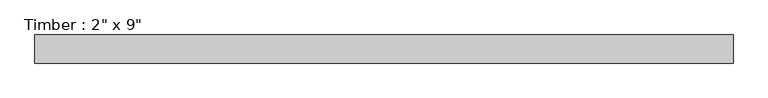
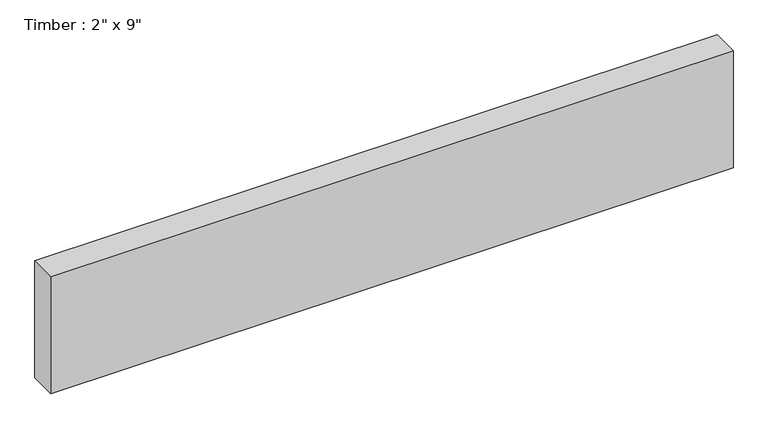
"""IFC4 building model written with IfcOpenShell, lengths in millimetres: beam geometry."""

import ifcopenshell
import ifcopenshell.guid

model = None  # the IFC model being written
_history = None  # IfcOwnerHistory: only IFC2X3 demands one
_inside = {}  # id of a spatial element -> (the spatial element, [elements in it])
_under = {}  # id of a project, library or spatial element -> (it, [spatial elements below it])
_declared = {}  # id of a project -> (the project, [libraries it declares])
_typed = {}  # id of a type object -> (the type object, [elements of that type])
_made_of = {}  # id of a material, layer set ... -> (it, [elements and type objects made of it])


def new_model(schema):
    """Start an empty IFC model of exactly this schema.

    Asked for "IFC4X3", IfcOpenShell would pick the latest addendum, in which some entities
    have other attributes; the version numbers below select the first issue.
    IFC2X3 requires an IfcOwnerHistory on every rooted entity: one is made here for all.
    """
    global model, _history
    if schema == "IFC4X3":
        model = ifcopenshell.file(schema_version=(4, 3, 0, 0))
    else:
        model = ifcopenshell.file(schema=schema)
    _inside.clear()
    _under.clear()
    _declared.clear()
    _typed.clear()
    _made_of.clear()
    _history = None
    if model.schema == "IFC2X3":
        org = make("IfcOrganization", Name="unknown")
        user = make(
            "IfcPersonAndOrganization",
            ThePerson=make("IfcPerson", FamilyName="unknown"),
            TheOrganization=org,
        )
        app = make(
            "IfcApplication",
            ApplicationDeveloper=org,
            Version="unknown",
            ApplicationFullName="unknown",
            ApplicationIdentifier="unknown",
        )
        _history = make(
            "IfcOwnerHistory",
            OwningUser=user,
            OwningApplication=app,
            ChangeAction="ADDED",
            CreationDate=0,
        )
    return model


def make(cls, **values):
    """One entity of the class cls with the attributes given. An attribute that is None is left unset."""
    return model.create_entity(
        cls, **{name: value for name, value in values.items() if value is not None}
    )


def rooted(cls, **values):
    """An entity with a GlobalId (a new one), such as an element, a storey or a relation."""
    return make(cls, GlobalId=ifcopenshell.guid.new(), OwnerHistory=_history, **values)


def si_unit(unit_type, name, prefix=None):
    """IfcSIUnit, for example si_unit("LENGTHUNIT", "METRE", prefix="MILLI")."""
    return make("IfcSIUnit", UnitType=unit_type, Prefix=prefix, Name=name)


def assignment(units):
    """IfcUnitAssignment: the units of a project."""
    return None if units is None else make("IfcUnitAssignment", Units=units)


def point(xyz):
    """IfcCartesianPoint."""
    return None if xyz is None else make("IfcCartesianPoint", Coordinates=xyz)


def direction(xyz):
    """IfcDirection."""
    return None if xyz is None else make("IfcDirection", DirectionRatios=xyz)


def frame(location, z_axis=None, x_axis=None):
    """IfcAxis2Placement3D, a coordinate frame: its origin and axes. An axis left out is left unset."""
    return make(
        "IfcAxis2Placement3D",
        Location=point(location),
        Axis=direction(z_axis),
        RefDirection=direction(x_axis),
    )


def origin():
    """The frame at (0, 0, 0) with its axes left unset."""
    return frame((0.0, 0.0, 0.0))


def place(relative_to, where):
    """IfcLocalPlacement: puts the frame where relative to a parent placement (None: the world)."""
    return make(
        "IfcLocalPlacement", PlacementRelTo=relative_to, RelativePlacement=where
    )


def context(
    kind, dimensions, precision=None, world=None, true_north=None, identifier=None
):
    """IfcGeometricRepresentationContext, for example the 3D "Model" context."""
    return make(
        "IfcGeometricRepresentationContext",
        ContextIdentifier=identifier,
        ContextType=kind,
        CoordinateSpaceDimension=dimensions,
        Precision=precision,
        WorldCoordinateSystem=world,
        TrueNorth=true_north,
    )


def project(units=None, contexts=None):
    """IfcProject with its units and contexts."""
    return rooted(
        "IfcProject",
        Name="project",
        RepresentationContexts=contexts,
        UnitsInContext=assignment(units),
    )


def spatial(cls, under=None, at=None, **own):
    """A site, building, storey or space (cls), placed at a placement, below another one or the project."""
    s = rooted(cls, ObjectPlacement=at, **own)
    if under is not None:
        _under.setdefault(under.id(), (under, []))[1].append(s)
    return s


def polyline(points):
    """IfcPolyline through the points."""
    return make("IfcPolyline", Points=[point(p) for p in points])


def outline(outer, holes=None, kind="AREA"):
    """IfcArbitraryClosedProfileDef: a profile drawn as a closed curve; with holes, ...WithVoids."""
    if holes is None:
        return make("IfcArbitraryClosedProfileDef", ProfileType=kind, OuterCurve=outer)
    return make(
        "IfcArbitraryProfileDefWithVoids",
        ProfileType=kind,
        OuterCurve=outer,
        InnerCurves=holes,
    )


def extrude(swept, where, along, depth):
    """IfcExtrudedAreaSolid: the profile swept, set in the frame where, extruded along a direction by depth."""
    return make(
        "IfcExtrudedAreaSolid",
        SweptArea=swept,
        Position=where,
        ExtrudedDirection=direction(along),
        Depth=depth,
    )


def shape(context_of_items, identifier, shape_type, items):
    """IfcShapeRepresentation: the items that make up one representation, for example the "Body"."""
    return make(
        "IfcShapeRepresentation",
        ContextOfItems=context_of_items,
        RepresentationIdentifier=identifier,
        RepresentationType=shape_type,
        Items=items,
    )


def source(mapping_origin, context_of_items, identifier, shape_type, items):
    """IfcRepresentationMap: a shape defined once, which mapped items show again and again."""
    return make(
        "IfcRepresentationMap",
        MappingOrigin=mapping_origin,
        MappedRepresentation=shape(context_of_items, identifier, shape_type, items),
    )


def transform(
    local_origin,
    x_axis=None,
    y_axis=None,
    z_axis=None,
    scale=None,
    scale2=None,
    scale3=None,
    uniform=True,
):
    """IfcCartesianTransformationOperator3D, or its non-uniform kind. x_axis, y_axis, z_axis: its Axis1, 2, 3."""
    if uniform:
        return make(
            "IfcCartesianTransformationOperator3D",
            Axis1=direction(x_axis),
            Axis2=direction(y_axis),
            LocalOrigin=point(local_origin),
            Scale=scale,
            Axis3=direction(z_axis),
        )
    return make(
        "IfcCartesianTransformationOperator3DnonUniform",
        Axis1=direction(x_axis),
        Axis2=direction(y_axis),
        LocalOrigin=point(local_origin),
        Scale=scale,
        Axis3=direction(z_axis),
        Scale2=scale2,
        Scale3=scale3,
    )


def mapped(mapping_source, mapping_target):
    """IfcMappedItem: shows the shape of a source again, moved by a transform."""
    return make(
        "IfcMappedItem", MappingSource=mapping_source, MappingTarget=mapping_target
    )


def made_of(thing, what):
    """Note that an element or type object is made of a material, layer set ...; save() writes the relation."""
    if what is not None:
        _made_of.setdefault(what.id(), (what, []))[1].append(thing)
    return thing


def element(
    cls,
    number,
    at=None,
    inside=None,
    cuts=None,
    type_object=None,
    material=None,
    context=None,
    identifier="Body",
    shape_type=None,
    held_by="IfcProductDefinitionShape",
    body=None,
    shapes=None,
    **own,
):
    """One element of the class cls, such as IfcWall. Its Tag is "e" and its number.

    at: its placement. inside: the storey or other place that contains it. cuts: it is an
    opening in that element (IfcRelVoidsElement). A single representation is given by context,
    identifier, shape_type and body (its items); several are given by shapes. held_by: the class
    of the entity that holds the representations. save() writes the other relations.
    """
    e = rooted(cls, Tag="e%d" % number, ObjectPlacement=at, **own)
    if body is not None:
        shapes = [shape(context, identifier, shape_type, body)]
    if shapes is not None:
        e.Representation = make(held_by, Representations=shapes)
    if inside is not None:
        _inside.setdefault(inside.id(), (inside, []))[1].append(e)
    if cuts is not None:
        rooted(
            "IfcRelVoidsElement", RelatingBuildingElement=cuts, RelatedOpeningElement=e
        )
    if type_object is not None:
        _typed.setdefault(type_object.id(), (type_object, []))[1].append(e)
    return made_of(e, material)


def aggregate(whole, parts):
    """IfcRelAggregates: a whole, such as a stair, and the parts it consists of."""
    return rooted("IfcRelAggregates", RelatingObject=whole, RelatedObjects=parts)


def save(model, path):
    """Write the relations noted so far, then the file.

    IfcRelAggregates (storeys below a building ...), IfcRelContainedInSpatialStructure (elements
    in a storey), IfcRelDefinesByType, IfcRelAssociatesMaterial and IfcRelDeclares: one each for
    every whole, place, type object, material and project.
    """
    for whole, parts in _under.values():
        aggregate(whole, parts)
    for where, things in _inside.values():
        rooted(
            "IfcRelContainedInSpatialStructure",
            RelatedElements=things,
            RelatingStructure=where,
        )
    for kind, things in _typed.values():
        rooted("IfcRelDefinesByType", RelatedObjects=things, RelatingType=kind)
    for what, things in _made_of.values():
        rooted("IfcRelAssociatesMaterial", RelatedObjects=things, RelatingMaterial=what)
    for by, libraries in _declared.values():
        rooted("IfcRelDeclares", RelatingContext=by, RelatedDefinitions=libraries)
    model.write(path)


def beam_0a4cca2d(model_context):
    return source(origin(), model_context, "Body", "SweptSolid", [
        extrude(outline(polyline([(630.6379118, 25.4), (630.6379118, -25.4), (-630.6379118, -25.4), (-630.6379118, 25.4), (630.6379118, 25.4)])), frame((0.0, 0.0, -114.3), z_axis=(0.0, 0.0, 1.0), x_axis=(1.0, 0.0, 0.0)), (0.0, 0.0, 1.0), 228.6),
    ])


if __name__ == "__main__":
    model = new_model("IFC4")
    model_context = context("Model", 3, world=origin())
    ifc_project = project(units=[si_unit("LENGTHUNIT", "METRE", prefix="MILLI")], contexts=[model_context])
    site = spatial("IfcSite", under=ifc_project)
    building = spatial("IfcBuilding", under=site)
    placement = place(None, origin())
    beam_shape = beam_0a4cca2d(model_context)
    element("IfcBeam", 1, ObjectType="Timber : 2\" x 9\"", at=placement, inside=building, context=model_context, shape_type="MappedRepresentation", body=[
        mapped(beam_shape, transform((0.0, 0.0, 0.0), x_axis=(1.0, 0.0, 0.0), y_axis=(0.0, 1.0, 0.0), z_axis=(0.0, 0.0, 1.0))),
    ])
    save(model, "model.ifc")
